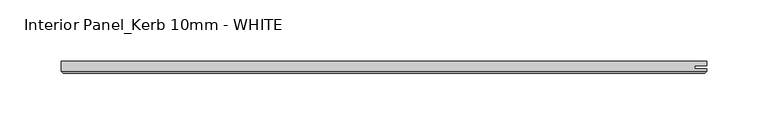
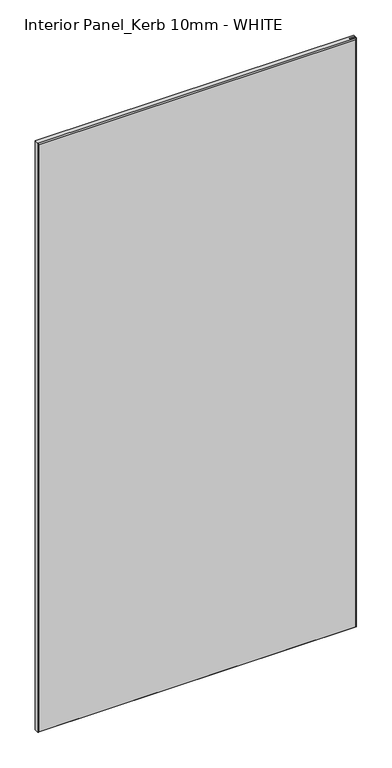
"""IFC4 building model written with IfcOpenShell, lengths in millimetres: proxy geometry, Interior Panel_Kerb 10mm - WHITE."""

from ifc_helpers import new_model, si_unit, origin, place, context, project, spatial, faceted_brep, source, transform, mapped, element, save


def interior_panel_kerb_10mm_white_110a1b86(model_context):
    return source(origin(), model_context, "Body", "Brep", [
        faceted_brep([(452.4375, 3.175, 1025.525), (-73.025, 3.175, 1025.525), (-73.025, -4.7625, 1025.525), (452.4375, -4.7625, 1025.525), (452.4375, -2.6543, 1025.525), (442.6148437, -2.6543, 1025.525), (442.6148437, -0.5207, 1025.525), (452.4375, -0.5207, 1025.525), (452.4375, 3.175, 0.0), (452.4375, -0.5207, 0.0), (442.6148437, -0.5207, 0.0), (442.6148437, -2.6543, 0.0), (452.4375, -2.6543, 0.0), (452.4375, -4.7625, 0.0), (-73.025, -4.7625, 0.0), (-73.025, 3.175, 0.0), (-71.4375, -6.35, 1023.9375), (-71.4375, -6.35, 1.5875), (450.85, -6.35, 1.5875), (450.85, -6.35, 1023.9375)], [[[0, 1, 2, 3, 4, 5, 6, 7]], [[8, 9, 10, 11, 12, 13, 14, 15]], [[1, 0, 8, 15]], [[2, 1, 15, 14]], [[16, 17, 18, 19]], [[4, 3, 13, 12]], [[2, 14, 17, 16]], [[13, 3, 19, 18]], [[3, 2, 16, 19]], [[14, 13, 18, 17]], [[5, 4, 12, 11]], [[6, 5, 11, 10]], [[7, 6, 10, 9]], [[0, 7, 9, 8]]]),
    ])


if __name__ == "__main__":
    model = new_model("IFC4")
    model_context = context("Model", 3, world=origin())
    ifc_project = project(units=[si_unit("LENGTHUNIT", "METRE", prefix="MILLI")], contexts=[model_context])
    site = spatial("IfcSite", under=ifc_project)
    building = spatial("IfcBuilding", under=site)
    placement = place(None, origin())
    interior_panel_kerb_10mm_white_shape = interior_panel_kerb_10mm_white_110a1b86(model_context)
    element("IfcBuildingElementProxy", 1, Name="Interior Panel_Kerb 10mm - WHITE", ObjectType="Interior Panel_Kerb 10mm - WHITE", at=placement, inside=building, context=model_context, shape_type="MappedRepresentation", body=[
        mapped(interior_panel_kerb_10mm_white_shape, transform((0.0, 0.0, 0.0), x_axis=(1.0, 0.0, 0.0), y_axis=(0.0, 1.0, 0.0), z_axis=(0.0, 0.0, 1.0))),
    ])
    save(model, "model.ifc")
